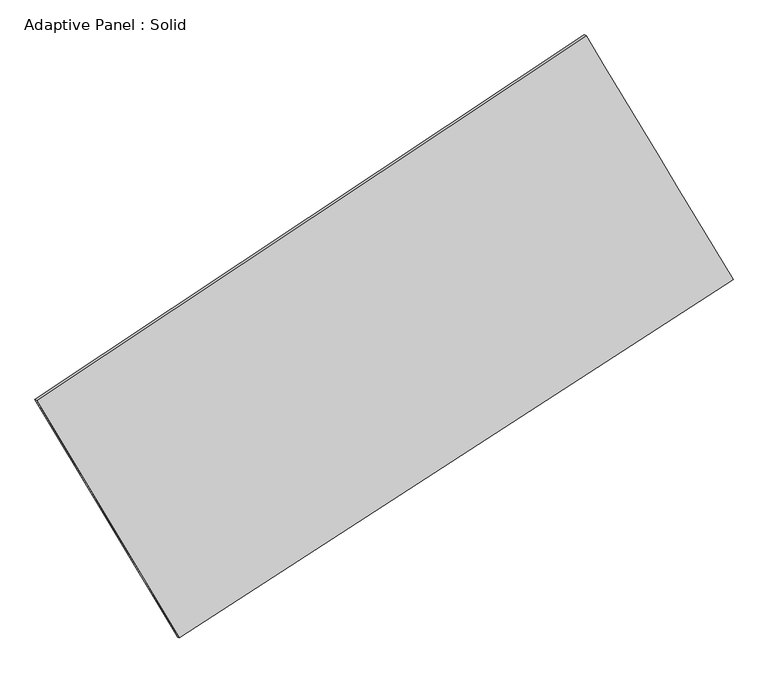
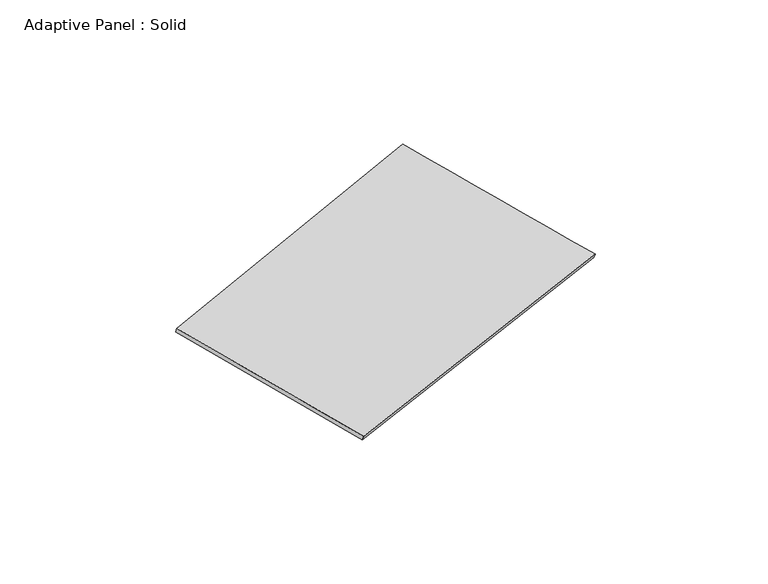
"""IFC4 building model written with IfcOpenShell, lengths in millimetres: plate geometry, Adaptive Panel : Solid."""

from ifc_helpers import new_model, si_unit, frame, origin, place, context, project, spatial, source, transform, mapped, element, save
from ifc_brep_helpers import plane_surface, spline_surface, advanced_brep


def adaptive_panel_solid_b8443ef5(model_context):
    return source(origin(), model_context, "Body", "AdvancedBrep", [
        advanced_brep(
        [(1123.267336, 2556.895638, 676.3732689), (-3695.1962199, -644.0072882, 1744.1296576), (-3680.5298641, -650.3873817, 1791.5025656), (1137.9336919, 2550.5155445, 723.7461769), (-2443.7002273, -2728.3883509, 1068.7789206), (-2429.0338715, -2734.7684443, 1116.1518286), (2412.3385331, 415.2514282, -4.1593268), (2427.0048889, 408.8713348, 43.2135812)],
        [
            (0, 1),
            (1, 2),
            (2, 3),
            (3, 0),
            (1, 4),
            (4, 5),
            (5, 2),
            (4, 6),
            (6, 7),
            (7, 5),
            (6, 0),
            (3, 7),
        ],
        [
            plane_surface(frame((-1285.9644419, 956.4441749, 1210.2514632), z_axis=(-0.4923909331592024, 0.8293278526257325, 0.2641334545297156), x_axis=(-0.8191222555684732, -0.5441425039977824, 0.18151491887842255))),
            plane_surface(frame((-3069.4482236, -1686.1978195, 1406.4542891), z_axis=(-0.8168099996621618, -0.5484286691788429, 0.17901793003669397), x_axis=(0.49597814658094236, -0.8260573444521271, -0.26764704704299147))),
            plane_surface(frame((-15.6808471, -1156.5684613, 532.3097969), z_axis=(0.4829765619637798, -0.8355018073247011, -0.2620503206462558), x_axis=(0.8253750884063039, 0.5343206857760923, -0.18236602805910038))),
            plane_surface(frame((1767.8029345, 1486.0735331, 336.106971), z_axis=(0.8167688275295537, 0.5484971547007524, -0.1789959599018285), x_axis=(-0.4975859484241039, 0.8266820853175282, 0.26268793985630184))),
            spline_surface(1, 1, [[(-3680.5298641, -650.3873817, 1791.5025656), (1137.9336919, 2550.5155445, 723.7461769)], [(-2429.0338715, -2734.7684443, 1116.1518286), (2427.0048889, 408.8713348, 43.2135812)]], [2, 2], [2, 2], [0.0, 1.0], [0.0, 1.0]),
            spline_surface(1, 1, [[(2412.3385331, 415.2514282, -4.1593268), (1123.267336, 2556.895638, 676.3732689)], [(-2443.7002273, -2728.3883509, 1068.7789206), (-3695.1962199, -644.0072882, 1744.1296576)]], [2, 2], [2, 2], [0.0, 1.0], [0.0, 1.0]),
        ],
        [
            (0, [[1, 2, 3, 4]]),
            (1, [[5, 6, 7, -2]]),
            (2, [[8, 9, 10, -6]]),
            (3, [[11, -4, 12, -9]]),
            (4, [[-3, -7, -10, -12]]),
            (5, [[-11, -8, -5, -1]]),
        ],
    ),
    ])


if __name__ == "__main__":
    model = new_model("IFC4")
    model_context = context("Model", 3, world=origin())
    ifc_project = project(units=[si_unit("LENGTHUNIT", "METRE", prefix="MILLI")], contexts=[model_context])
    site = spatial("IfcSite", under=ifc_project)
    building = spatial("IfcBuilding", under=site)
    placement = place(None, origin())
    adaptive_panel_solid_shape = adaptive_panel_solid_b8443ef5(model_context)
    element("IfcPlate", 1, ObjectType="Adaptive Panel : Solid", at=placement, inside=building, context=model_context, shape_type="MappedRepresentation", body=[
        mapped(adaptive_panel_solid_shape, transform((0.0, 0.0, 0.0), x_axis=(1.0, 0.0, 0.0), y_axis=(0.0, 1.0, 0.0), z_axis=(0.0, 0.0, 1.0))),
    ])
    save(model, "model.ifc")
